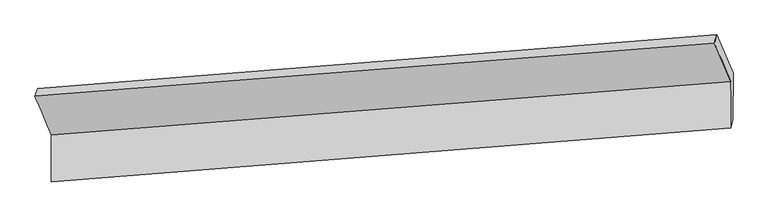
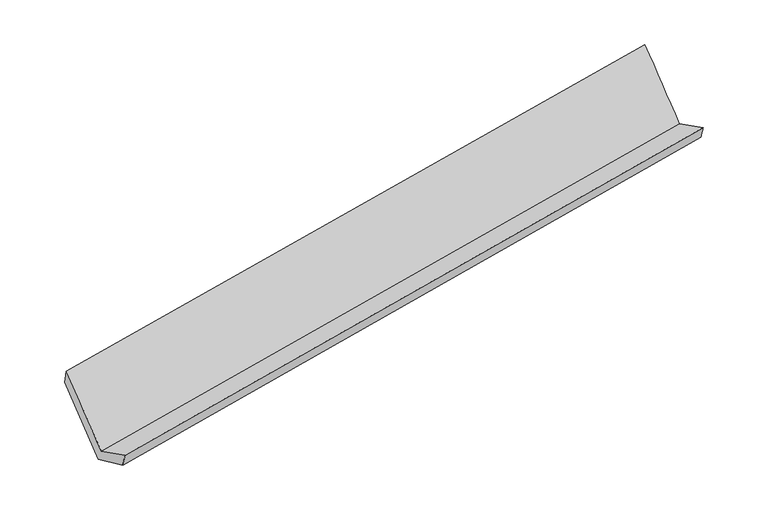
"""IFC4 building model written with IfcOpenShell, lengths in millimetres: proxy geometry."""

from ifc_helpers import new_model, si_unit, frame, origin, place, context, project, spatial, source, transform, mapped, element, save
from ifc_brep_helpers import plane_surface, spline_surface, advanced_brep


def generic_models_9c3b8193(model_context):
    return source(origin(), model_context, "Body", "AdvancedBrep", [
        advanced_brep(
        [(-5552.7078099, -1424.650075, 1877.351122), (-5426.2256956, -1723.9205545, 1288.2493478), (-228.8037824, -1314.5915335, 2190.9831265), (-354.2234675, -1018.7510647, 2773.3299834), (-5427.6695522, -2081.7631214, 1469.7274884), (-230.2386062, -1670.1954306, 2371.3259363), (-5409.1590744, -2010.7063931, 1327.9542221), (-212.6517112, -1603.0704067, 2237.1210252), (-5410.7830801, -1649.23439, 1162.5206186), (-211.2245589, -1249.3677952, 2057.7424432), (-5532.8141641, -1366.7077937, 1733.896403), (-335.7296596, -955.6846517, 2635.8427153)],
        [
            (0, 1),
            (1, 2),
            (2, 3),
            (3, 0),
            (1, 4),
            (4, 5),
            (5, 2),
            (4, 6),
            (6, 7),
            (7, 5),
            (6, 8),
            (8, 9),
            (9, 7),
            (8, 10),
            (10, 11),
            (11, 9),
            (10, 0),
            (3, 11),
        ],
        [
            spline_surface(1, 1, [[(-5552.7078099, -1424.650075, 1877.351122), (-354.2234675, -1018.7510647, 2773.3299834)], [(-5426.2256956, -1723.9205545, 1288.2493478), (-228.8037824, -1314.5915335, 2190.9831265)]], [2, 2], [2, 2], [0.0, 1.0], [0.0, 1.0]),
            plane_surface(frame((-5426.9476239, -1902.841838, 1378.9884181), z_axis=(-0.18715619646528128, 0.4449127864253699, 0.8757997320163226), x_axis=(-0.0035985513976528774, -0.8918578694003396, 0.4523014384418041))),
            spline_surface(1, 1, [[(-5427.6695522, -2081.7631214, 1469.7274884), (-230.2386062, -1670.1954306, 2371.3259363)], [(-5409.1590744, -2010.7063931, 1327.9542221), (-212.6517112, -1603.0704067, 2237.1210252)]], [2, 2], [2, 2], [0.0, 1.0], [0.0, 1.0]),
            spline_surface(1, 1, [[(-5409.1590744, -2010.7063931, 1327.9542221), (-212.6517112, -1603.0704067, 2237.1210252)], [(-5410.7830801, -1649.23439, 1162.5206186), (-211.2245589, -1249.3677952, 2057.7424432)]], [2, 2], [2, 2], [0.0, 1.0], [0.0, 1.0]),
            spline_surface(1, 1, [[(-5410.7830801, -1649.23439, 1162.5206186), (-211.2245589, -1249.3677952, 2057.7424432)], [(-5532.8141641, -1366.7077937, 1733.896403), (-335.7296596, -955.6846517, 2635.8427153)]], [2, 2], [2, 2], [0.0, 1.0], [0.0, 1.0]),
            spline_surface(1, 1, [[(-5532.8141641, -1366.7077937, 1733.896403), (-335.7296596, -955.6846517, 2635.8427153)], [(-5552.7078099, -1424.650075, 1877.351122), (-354.2234675, -1018.7510647, 2773.3299834)]], [2, 2], [2, 2], [0.0, 1.0], [0.0, 1.0]),
            plane_surface(frame((-262.1452976, -1301.9434804, 2377.724205), z_axis=(0.9820535260856449, 0.08213888029942736, 0.16977654798560374), x_axis=(-0.18856808407201528, 0.4447951721094171, 0.8755565844293351))),
            plane_surface(frame((-5459.8932294, -1709.4970546, 1476.6165336), z_axis=(-0.9821613338535432, -0.0818841897145772, -0.16927520124878365), x_axis=(0.12753300933332645, 0.371452954541041, -0.9196510393041032))),
        ],
        [
            (0, [[1, 2, 3, 4]]),
            (1, [[5, 6, 7, -2]]),
            (2, [[8, 9, 10, -6]]),
            (3, [[11, 12, 13, -9]]),
            (4, [[14, 15, 16, -12]]),
            (5, [[17, -4, 18, -15]]),
            (6, [[-16, -18, -3, -7, -10, -13]]),
            (7, [[-17, -14, -11, -8, -5, -1]]),
        ],
    ),
    ])


if __name__ == "__main__":
    model = new_model("IFC4")
    model_context = context("Model", 3, world=origin())
    ifc_project = project(units=[si_unit("LENGTHUNIT", "METRE", prefix="MILLI")], contexts=[model_context])
    site = spatial("IfcSite", under=ifc_project)
    building = spatial("IfcBuilding", under=site)
    placement = place(None, origin())
    generic_models_shape = generic_models_9c3b8193(model_context)
    element("IfcBuildingElementProxy", 1, Name="Generic Models", at=placement, inside=building, context=model_context, shape_type="MappedRepresentation", body=[
        mapped(generic_models_shape, transform((0.0, 0.0, 0.0), x_axis=(1.0, 0.0, 0.0), y_axis=(0.0, 1.0, 0.0), z_axis=(0.0, 0.0, 1.0))),
    ])
    save(model, "model.ifc")
